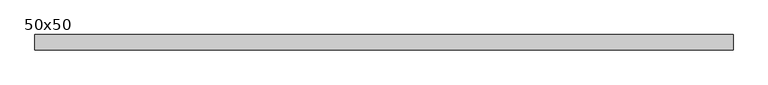
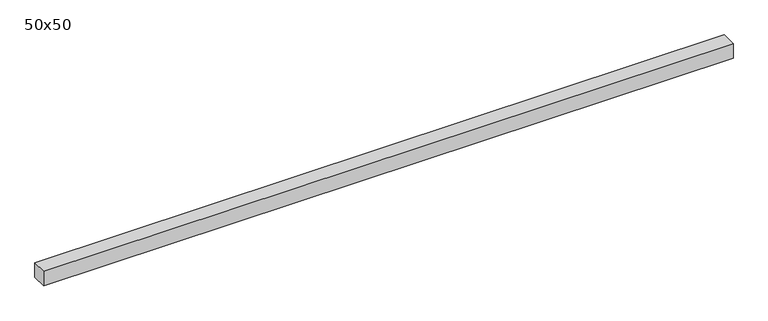
"""IFC4 building model written with IfcOpenShell, lengths in millimetres: beam geometry, 50x50."""

import ifcopenshell
import ifcopenshell.guid

model = None  # the IFC model being written
_history = None  # IfcOwnerHistory: only IFC2X3 demands one
_inside = {}  # id of a spatial element -> (the spatial element, [elements in it])
_under = {}  # id of a project, library or spatial element -> (it, [spatial elements below it])
_declared = {}  # id of a project -> (the project, [libraries it declares])
_typed = {}  # id of a type object -> (the type object, [elements of that type])
_made_of = {}  # id of a material, layer set ... -> (it, [elements and type objects made of it])


def new_model(schema):
    """Start an empty IFC model of exactly this schema.

    Asked for "IFC4X3", IfcOpenShell would pick the latest addendum, in which some entities
    have other attributes; the version numbers below select the first issue.
    IFC2X3 requires an IfcOwnerHistory on every rooted entity: one is made here for all.
    """
    global model, _history
    if schema == "IFC4X3":
        model = ifcopenshell.file(schema_version=(4, 3, 0, 0))
    else:
        model = ifcopenshell.file(schema=schema)
    _inside.clear()
    _under.clear()
    _declared.clear()
    _typed.clear()
    _made_of.clear()
    _history = None
    if model.schema == "IFC2X3":
        org = make("IfcOrganization", Name="unknown")
        user = make(
            "IfcPersonAndOrganization",
            ThePerson=make("IfcPerson", FamilyName="unknown"),
            TheOrganization=org,
        )
        app = make(
            "IfcApplication",
            ApplicationDeveloper=org,
            Version="unknown",
            ApplicationFullName="unknown",
            ApplicationIdentifier="unknown",
        )
        _history = make(
            "IfcOwnerHistory",
            OwningUser=user,
            OwningApplication=app,
            ChangeAction="ADDED",
            CreationDate=0,
        )
    return model


def make(cls, **values):
    """One entity of the class cls with the attributes given. An attribute that is None is left unset."""
    return model.create_entity(
        cls, **{name: value for name, value in values.items() if value is not None}
    )


def rooted(cls, **values):
    """An entity with a GlobalId (a new one), such as an element, a storey or a relation."""
    return make(cls, GlobalId=ifcopenshell.guid.new(), OwnerHistory=_history, **values)


def si_unit(unit_type, name, prefix=None):
    """IfcSIUnit, for example si_unit("LENGTHUNIT", "METRE", prefix="MILLI")."""
    return make("IfcSIUnit", UnitType=unit_type, Prefix=prefix, Name=name)


def assignment(units):
    """IfcUnitAssignment: the units of a project."""
    return None if units is None else make("IfcUnitAssignment", Units=units)


def point(xyz):
    """IfcCartesianPoint."""
    return None if xyz is None else make("IfcCartesianPoint", Coordinates=xyz)


def direction(xyz):
    """IfcDirection."""
    return None if xyz is None else make("IfcDirection", DirectionRatios=xyz)


def frame(location, z_axis=None, x_axis=None):
    """IfcAxis2Placement3D, a coordinate frame: its origin and axes. An axis left out is left unset."""
    return make(
        "IfcAxis2Placement3D",
        Location=point(location),
        Axis=direction(z_axis),
        RefDirection=direction(x_axis),
    )


def origin():
    """The frame at (0, 0, 0) with its axes left unset."""
    return frame((0.0, 0.0, 0.0))


def place(relative_to, where):
    """IfcLocalPlacement: puts the frame where relative to a parent placement (None: the world)."""
    return make(
        "IfcLocalPlacement", PlacementRelTo=relative_to, RelativePlacement=where
    )


def context(
    kind, dimensions, precision=None, world=None, true_north=None, identifier=None
):
    """IfcGeometricRepresentationContext, for example the 3D "Model" context."""
    return make(
        "IfcGeometricRepresentationContext",
        ContextIdentifier=identifier,
        ContextType=kind,
        CoordinateSpaceDimension=dimensions,
        Precision=precision,
        WorldCoordinateSystem=world,
        TrueNorth=true_north,
    )


def project(units=None, contexts=None):
    """IfcProject with its units and contexts."""
    return rooted(
        "IfcProject",
        Name="project",
        RepresentationContexts=contexts,
        UnitsInContext=assignment(units),
    )


def spatial(cls, under=None, at=None, **own):
    """A site, building, storey or space (cls), placed at a placement, below another one or the project."""
    s = rooted(cls, ObjectPlacement=at, **own)
    if under is not None:
        _under.setdefault(under.id(), (under, []))[1].append(s)
    return s


def polyline(points):
    """IfcPolyline through the points."""
    return make("IfcPolyline", Points=[point(p) for p in points])


def outline(outer, holes=None, kind="AREA"):
    """IfcArbitraryClosedProfileDef: a profile drawn as a closed curve; with holes, ...WithVoids."""
    if holes is None:
        return make("IfcArbitraryClosedProfileDef", ProfileType=kind, OuterCurve=outer)
    return make(
        "IfcArbitraryProfileDefWithVoids",
        ProfileType=kind,
        OuterCurve=outer,
        InnerCurves=holes,
    )


def extrude(swept, where, along, depth):
    """IfcExtrudedAreaSolid: the profile swept, set in the frame where, extruded along a direction by depth."""
    return make(
        "IfcExtrudedAreaSolid",
        SweptArea=swept,
        Position=where,
        ExtrudedDirection=direction(along),
        Depth=depth,
    )


def shape(context_of_items, identifier, shape_type, items):
    """IfcShapeRepresentation: the items that make up one representation, for example the "Body"."""
    return make(
        "IfcShapeRepresentation",
        ContextOfItems=context_of_items,
        RepresentationIdentifier=identifier,
        RepresentationType=shape_type,
        Items=items,
    )


def source(mapping_origin, context_of_items, identifier, shape_type, items):
    """IfcRepresentationMap: a shape defined once, which mapped items show again and again."""
    return make(
        "IfcRepresentationMap",
        MappingOrigin=mapping_origin,
        MappedRepresentation=shape(context_of_items, identifier, shape_type, items),
    )


def transform(
    local_origin,
    x_axis=None,
    y_axis=None,
    z_axis=None,
    scale=None,
    scale2=None,
    scale3=None,
    uniform=True,
):
    """IfcCartesianTransformationOperator3D, or its non-uniform kind. x_axis, y_axis, z_axis: its Axis1, 2, 3."""
    if uniform:
        return make(
            "IfcCartesianTransformationOperator3D",
            Axis1=direction(x_axis),
            Axis2=direction(y_axis),
            LocalOrigin=point(local_origin),
            Scale=scale,
            Axis3=direction(z_axis),
        )
    return make(
        "IfcCartesianTransformationOperator3DnonUniform",
        Axis1=direction(x_axis),
        Axis2=direction(y_axis),
        LocalOrigin=point(local_origin),
        Scale=scale,
        Axis3=direction(z_axis),
        Scale2=scale2,
        Scale3=scale3,
    )


def mapped(mapping_source, mapping_target):
    """IfcMappedItem: shows the shape of a source again, moved by a transform."""
    return make(
        "IfcMappedItem", MappingSource=mapping_source, MappingTarget=mapping_target
    )


def made_of(thing, what):
    """Note that an element or type object is made of a material, layer set ...; save() writes the relation."""
    if what is not None:
        _made_of.setdefault(what.id(), (what, []))[1].append(thing)
    return thing


def element(
    cls,
    number,
    at=None,
    inside=None,
    cuts=None,
    type_object=None,
    material=None,
    context=None,
    identifier="Body",
    shape_type=None,
    held_by="IfcProductDefinitionShape",
    body=None,
    shapes=None,
    **own,
):
    """One element of the class cls, such as IfcWall. Its Tag is "e" and its number.

    at: its placement. inside: the storey or other place that contains it. cuts: it is an
    opening in that element (IfcRelVoidsElement). A single representation is given by context,
    identifier, shape_type and body (its items); several are given by shapes. held_by: the class
    of the entity that holds the representations. save() writes the other relations.
    """
    e = rooted(cls, Tag="e%d" % number, ObjectPlacement=at, **own)
    if body is not None:
        shapes = [shape(context, identifier, shape_type, body)]
    if shapes is not None:
        e.Representation = make(held_by, Representations=shapes)
    if inside is not None:
        _inside.setdefault(inside.id(), (inside, []))[1].append(e)
    if cuts is not None:
        rooted(
            "IfcRelVoidsElement", RelatingBuildingElement=cuts, RelatedOpeningElement=e
        )
    if type_object is not None:
        _typed.setdefault(type_object.id(), (type_object, []))[1].append(e)
    return made_of(e, material)


def aggregate(whole, parts):
    """IfcRelAggregates: a whole, such as a stair, and the parts it consists of."""
    return rooted("IfcRelAggregates", RelatingObject=whole, RelatedObjects=parts)


def save(model, path):
    """Write the relations noted so far, then the file.

    IfcRelAggregates (storeys below a building ...), IfcRelContainedInSpatialStructure (elements
    in a storey), IfcRelDefinesByType, IfcRelAssociatesMaterial and IfcRelDeclares: one each for
    every whole, place, type object, material and project.
    """
    for whole, parts in _under.values():
        aggregate(whole, parts)
    for where, things in _inside.values():
        rooted(
            "IfcRelContainedInSpatialStructure",
            RelatedElements=things,
            RelatingStructure=where,
        )
    for kind, things in _typed.values():
        rooted("IfcRelDefinesByType", RelatedObjects=things, RelatingType=kind)
    for what, things in _made_of.values():
        rooted("IfcRelAssociatesMaterial", RelatedObjects=things, RelatingMaterial=what)
    for by, libraries in _declared.values():
        rooted("IfcRelDeclares", RelatingContext=by, RelatedDefinitions=libraries)
    model.write(path)


def beam_50x50_cb245311(model_context):
    return source(origin(), model_context, "Body", "SweptSolid", [
        extrude(outline(polyline([(1130.7764064, 25.0), (1130.7764064, -25.0), (-1130.7764064, -25.0), (-1130.7764064, 25.0), (1130.7764064, 25.0)])), frame((0.0, 0.0, -25.0), z_axis=(0.0, 0.0, 1.0), x_axis=(1.0, 0.0, 0.0)), (0.0, 0.0, 1.0), 50.0),
    ])


if __name__ == "__main__":
    model = new_model("IFC4")
    model_context = context("Model", 3, world=origin())
    ifc_project = project(units=[si_unit("LENGTHUNIT", "METRE", prefix="MILLI")], contexts=[model_context])
    site = spatial("IfcSite", under=ifc_project)
    building = spatial("IfcBuilding", under=site)
    placement = place(None, origin())
    beam_50x50_shape = beam_50x50_cb245311(model_context)
    element("IfcBeam", 1, ObjectType="50x50", at=placement, inside=building, context=model_context, shape_type="MappedRepresentation", body=[
        mapped(beam_50x50_shape, transform((0.0, 0.0, 0.0), x_axis=(1.0, 0.0, 0.0), y_axis=(0.0, 1.0, 0.0), z_axis=(0.0, 0.0, 1.0))),
    ])
    save(model, "model.ifc")
